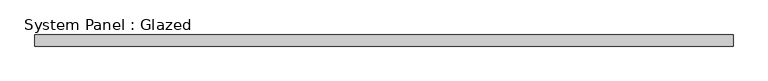
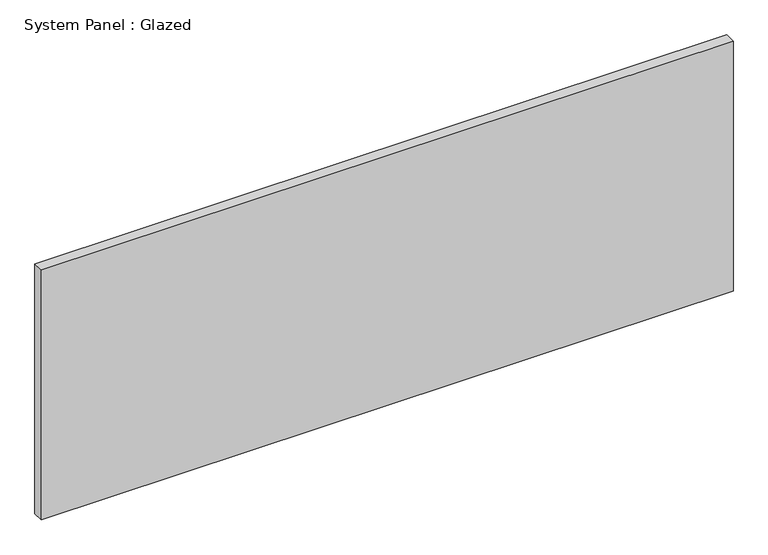
"""IFC4 building model written with IfcOpenShell, lengths in millimetres: plate geometry, System Panel : Glazed."""

from ifc_helpers import new_model, si_unit, origin, origin_with_axes, place, context, project, spatial, polyline, outline, extrude, source, transform, mapped, element, save


def system_panel_glazed_19abe89c(model_context):
    return source(origin(), model_context, "Body", "SweptSolid", [
        extrude(outline(polyline([(797.3645429, 19.05), (-797.3645429, 19.05), (-797.3645429, 44.45), (797.3645429, 44.45), (797.3645429, 19.05)])), origin_with_axes(), (0.0, 0.0, 1.0), 609.6),
    ])


if __name__ == "__main__":
    model = new_model("IFC4")
    model_context = context("Model", 3, world=origin())
    ifc_project = project(units=[si_unit("LENGTHUNIT", "METRE", prefix="MILLI")], contexts=[model_context])
    site = spatial("IfcSite", under=ifc_project)
    building = spatial("IfcBuilding", under=site)
    placement = place(None, origin())
    system_panel_glazed_shape = system_panel_glazed_19abe89c(model_context)
    element("IfcPlate", 1, ObjectType="System Panel : Glazed", at=placement, inside=building, context=model_context, shape_type="MappedRepresentation", body=[
        mapped(system_panel_glazed_shape, transform((0.0, 0.0, 0.0), x_axis=(1.0, 0.0, 0.0), y_axis=(0.0, 1.0, 0.0), z_axis=(0.0, 0.0, 1.0))),
    ])
    save(model, "model.ifc")
